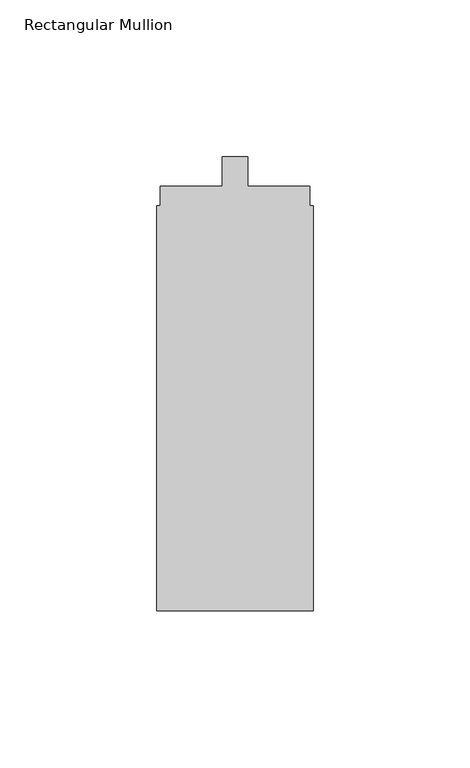
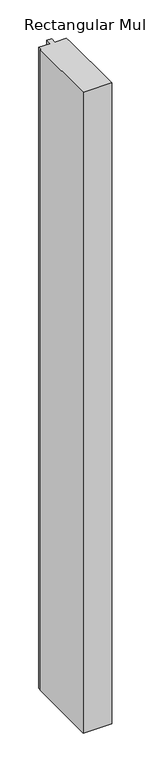
"""IFC4 building model written with IfcOpenShell, lengths in millimetres: member geometry, Rectangular Mullion."""

from ifc_helpers import new_model, si_unit, frame, origin, place, context, project, spatial, polyline, outline, extrude, source, transform, mapped, element, save


def rectangular_mullion_d64a5186(model_context):
    return source(origin(), model_context, "Body", "SweptSolid", [
        extrude(outline(polyline([(0.0, -161.3), (-50.0, -161.3), (-50.0, -32.0), (-48.9, -32.0), (-48.9, -25.8), (-29.1, -25.8), (-29.1, -16.3), (-20.9, -16.3), (-20.9, -25.8), (-1.1782663, -25.8), (-1.1782663, -32.0), (0.0, -32.0), (0.0, -161.3)])), frame((0.0, 0.0, -1175.0), z_axis=(0.0, 0.0, 1.0), x_axis=(1.0, 0.0, 0.0)), (0.0, 0.0, 1.0), 1175.0),
    ])


if __name__ == "__main__":
    model = new_model("IFC4")
    model_context = context("Model", 3, world=origin())
    ifc_project = project(units=[si_unit("LENGTHUNIT", "METRE", prefix="MILLI")], contexts=[model_context])
    site = spatial("IfcSite", under=ifc_project)
    building = spatial("IfcBuilding", under=site)
    placement = place(None, origin())
    rectangular_mullion_shape = rectangular_mullion_d64a5186(model_context)
    element("IfcMember", 1, ObjectType="Rectangular Mullion", at=placement, inside=building, context=model_context, shape_type="MappedRepresentation", body=[
        mapped(rectangular_mullion_shape, transform((0.0, 0.0, 0.0), x_axis=(1.0, 0.0, 0.0), y_axis=(0.0, 1.0, 0.0), z_axis=(0.0, 0.0, 1.0))),
    ])
    save(model, "model.ifc")
